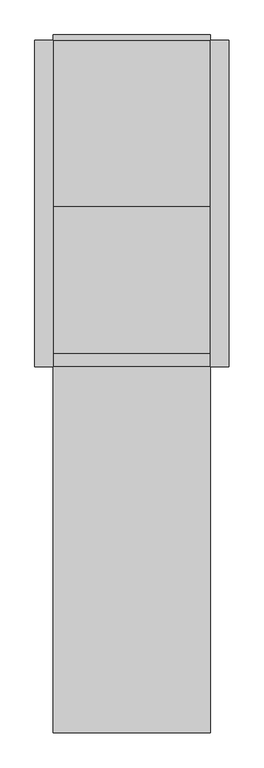
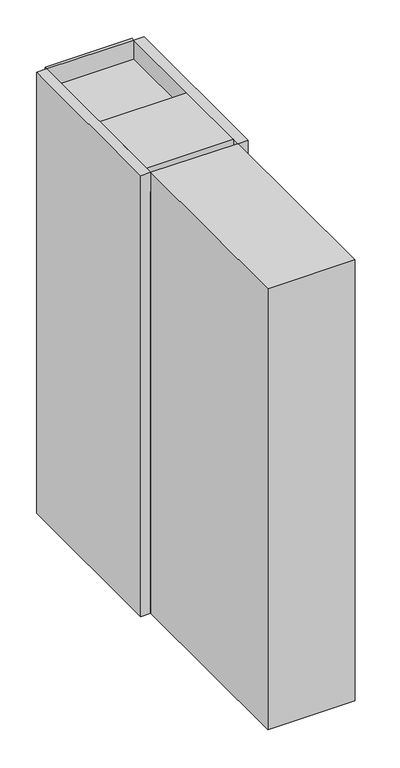
"""IFC4 building model written with IfcOpenShell, lengths in millimetres: proxy geometry."""

from ifc_helpers import new_model, si_unit, frame, origin, origin_with_axes, place, context, project, spatial, polyline, circle_curve, outline, extrude, source, transform, mapped, element, save
from ifc_brep_helpers import plane_surface, revolved_surface, advanced_brep


def electrical_equipment_23af5438(model_context):
    return source(origin(), model_context, "Body", "SolidModel", [
        extrude(outline(polyline([(215.0, 0.0), (215.0, -890.0), (-215.0, -890.0), (-215.0, 0.0), (215.0, 0.0)])), origin_with_axes(), (0.0, 0.0, 1.0), 2200.0),
        extrude(outline(polyline([(215.0, 0.0), (265.0, 0.0), (265.0, -890.0), (215.0, -890.0), (215.0, 0.0)])), origin_with_axes(), (0.0, 0.0, 1.0), 2300.0),
        extrude(outline(polyline([(-215.0, 0.0), (-215.0, -890.0), (-265.0, -890.0), (-265.0, 0.0), (-215.0, 0.0)])), origin_with_axes(), (0.0, 0.0, 1.0), 2300.0),
        extrude(outline(polyline([(215.0, 0.0), (-215.0, 0.0), (-215.0, 15.0), (215.0, 15.0), (215.0, 0.0)])), origin_with_axes(), (0.0, 0.0, 1.0), 2300.0),
        extrude(outline(polyline([(215.0, -890.0), (215.0, -1890.0), (-215.0, -1890.0), (-215.0, -890.0), (215.0, -890.0)])), origin_with_axes(), (0.0, 0.0, 1.0), 2300.0),
        extrude(outline(polyline([(215.0, -115.0), (215.0, -829.0), (-215.0, -829.0), (-215.0, -115.0), (215.0, -115.0)])), origin_with_axes(), (0.0, 0.0, 1.0), 300.0),
        extrude(outline(polyline([(215.0, 0.0), (215.0, -115.0), (-215.0, -115.0), (-215.0, 0.0), (215.0, 0.0)])), origin_with_axes(), (0.0, 0.0, 1.0), 1800.0),
        extrude(outline(polyline([(-115.0, 1700.0), (-360.0, 1700.0), (-360.0, 1800.0), (-140.0, 1800.0), (-115.0, 1800.0), (-115.0, 1700.0)])), frame((-215.0, 0.0, 0.0), z_axis=(1.0, 0.0, 0.0), x_axis=(0.0, 1.0, 0.0)), (0.0, 0.0, 1.0), 430.0),
        extrude(outline(polyline([(-854.0, 2300.0348011), (-454.0, 2300.0348011), (-454.0, 1780.0348011), (-534.0, 1700.0348011), (-854.0, 1700.0348011), (-854.0, 2300.0348011)])), frame((-215.0, 0.0, 0.0), z_axis=(1.0, 0.0, 0.0), x_axis=(0.0, 1.0, 0.0)), (0.0, 0.0, 1.0), 430.0),
        advanced_brep(
        [(215.0, -115.0, 1700.0348011), (215.0, -565.0, 1700.0348011), (215.0, -565.0, 1475.0348011), (215.0, -115.0, 1475.0348011), (215.0, -138.0, 1587.5348011), (215.0, -258.0, 1587.5348011), (215.0, -281.0, 1587.5348011), (215.0, -401.0, 1587.5348011), (215.0, -424.0, 1587.5348011), (215.0, -544.0, 1587.5348011), (-215.0, -115.0, 1700.0348011), (-215.0, -115.0, 1475.0348011), (-215.0, -565.0, 1475.0348011), (-215.0, -565.0, 1700.0348011), (-215.0, -258.0, 1587.5348011), (-215.0, -138.0, 1587.5348011), (-215.0, -401.0, 1587.5348011), (-215.0, -281.0, 1587.5348011), (-215.0, -544.0, 1587.5348011), (-215.0, -424.0, 1587.5348011), (184.0222122, -258.0, 1587.5348011), (184.0222122, -138.0, 1587.5348011), (184.0222122, -401.0, 1587.5348011), (184.0222122, -281.0, 1587.5348011), (184.0222122, -544.0, 1587.5348011), (184.0222122, -424.0, 1587.5348011), (-184.0222122, -258.0, 1587.5348011), (-184.0222122, -138.0, 1587.5348011), (-184.0222122, -401.0, 1587.5348011), (-184.0222122, -281.0, 1587.5348011), (-184.0222122, -544.0, 1587.5348011), (-184.0222122, -424.0, 1587.5348011)],
        [
            (0, 1),
            (1, 2),
            (2, 3),
            (3, 0),
            (4, 5, circle_curve(frame((215.0, -198.0, 1587.5348011), z_axis=(-1.0, 0.0, 0.0), x_axis=(0.0, 1.0, 0.0)), 60.0)),
            (5, 4, circle_curve(frame((215.0, -198.0, 1587.5348011), z_axis=(-1.0, 0.0, 0.0), x_axis=(0.0, 1.0, 0.0)), 60.0)),
            (6, 7, circle_curve(frame((215.0, -341.0, 1587.5348011), z_axis=(-1.0, 0.0, 0.0), x_axis=(0.0, 1.0, 0.0)), 60.0)),
            (7, 6, circle_curve(frame((215.0, -341.0, 1587.5348011), z_axis=(-1.0, 0.0, 0.0), x_axis=(0.0, 1.0, 0.0)), 60.0)),
            (8, 9, circle_curve(frame((215.0, -484.0, 1587.5348011), z_axis=(-1.0, 0.0, 0.0), x_axis=(0.0, 1.0, 0.0)), 60.0)),
            (9, 8, circle_curve(frame((215.0, -484.0, 1587.5348011), z_axis=(-1.0, 0.0, 0.0), x_axis=(0.0, 1.0, 0.0)), 60.0)),
            (10, 11),
            (11, 12),
            (12, 13),
            (13, 10),
            (14, 15, circle_curve(frame((-215.0, -198.0, 1587.5348011), z_axis=(1.0, 0.0, 0.0), x_axis=(0.0, 1.0, 0.0)), 60.0)),
            (15, 14, circle_curve(frame((-215.0, -198.0, 1587.5348011), z_axis=(1.0, 0.0, 0.0), x_axis=(0.0, 1.0, 0.0)), 60.0)),
            (16, 17, circle_curve(frame((-215.0, -341.0, 1587.5348011), z_axis=(1.0, 0.0, 0.0), x_axis=(0.0, 1.0, 0.0)), 60.0)),
            (17, 16, circle_curve(frame((-215.0, -341.0, 1587.5348011), z_axis=(1.0, 0.0, 0.0), x_axis=(0.0, 1.0, 0.0)), 60.0)),
            (18, 19, circle_curve(frame((-215.0, -484.0, 1587.5348011), z_axis=(1.0, 0.0, 0.0), x_axis=(0.0, 1.0, 0.0)), 60.0)),
            (19, 18, circle_curve(frame((-215.0, -484.0, 1587.5348011), z_axis=(1.0, 0.0, 0.0), x_axis=(0.0, 1.0, 0.0)), 60.0)),
            (0, 10),
            (13, 1),
            (12, 2),
            (11, 3),
            (20, 21, circle_curve(frame((184.0222122, -198.0, 1587.5348011), z_axis=(1.0, 0.0, 0.0), x_axis=(0.0, 1.0, 0.0)), 60.0)),
            (21, 20, circle_curve(frame((184.0222122, -198.0, 1587.5348011), z_axis=(1.0, 0.0, 0.0), x_axis=(0.0, 1.0, 0.0)), 60.0)),
            (22, 23, circle_curve(frame((184.0222122, -341.0, 1587.5348011), z_axis=(1.0, 0.0, 0.0), x_axis=(0.0, 1.0, 0.0)), 60.0)),
            (23, 22, circle_curve(frame((184.0222122, -341.0, 1587.5348011), z_axis=(1.0, 0.0, 0.0), x_axis=(0.0, 1.0, 0.0)), 60.0)),
            (24, 25, circle_curve(frame((184.0222122, -484.0, 1587.5348011), z_axis=(1.0, 0.0, 0.0), x_axis=(0.0, 1.0, 0.0)), 60.0)),
            (25, 24, circle_curve(frame((184.0222122, -484.0, 1587.5348011), z_axis=(1.0, 0.0, 0.0), x_axis=(0.0, 1.0, 0.0)), 60.0)),
            (20, 5),
            (4, 21),
            (22, 7),
            (6, 23),
            (24, 9),
            (8, 25),
            (26, 27, circle_curve(frame((-184.0222122, -198.0, 1587.5348011), z_axis=(-1.0, 0.0, 0.0), x_axis=(0.0, 1.0, 0.0)), 60.0)),
            (27, 26, circle_curve(frame((-184.0222122, -198.0, 1587.5348011), z_axis=(-1.0, 0.0, 0.0), x_axis=(0.0, 1.0, 0.0)), 60.0)),
            (28, 29, circle_curve(frame((-184.0222122, -341.0, 1587.5348011), z_axis=(-1.0, 0.0, 0.0), x_axis=(0.0, 1.0, 0.0)), 60.0)),
            (29, 28, circle_curve(frame((-184.0222122, -341.0, 1587.5348011), z_axis=(-1.0, 0.0, 0.0), x_axis=(0.0, 1.0, 0.0)), 60.0)),
            (30, 31, circle_curve(frame((-184.0222122, -484.0, 1587.5348011), z_axis=(-1.0, 0.0, 0.0), x_axis=(0.0, 1.0, 0.0)), 60.0)),
            (31, 30, circle_curve(frame((-184.0222122, -484.0, 1587.5348011), z_axis=(-1.0, 0.0, 0.0), x_axis=(0.0, 1.0, 0.0)), 60.0)),
            (27, 15),
            (14, 26),
            (29, 17),
            (16, 28),
            (31, 19),
            (18, 30),
        ],
        [
            plane_surface(frame((215.0, -115.0, 1700.0348011), z_axis=(1.0, 0.0, 0.0), x_axis=(0.0, -1.0, 0.0))),
            plane_surface(frame((-215.0, -115.0, 1700.0348011), z_axis=(-1.0, 0.0, 0.0), x_axis=(0.0, 1.0, 0.0))),
            plane_surface(frame((215.0, -115.0, 1700.0348011), z_axis=(0.0, 0.0, 1.0), x_axis=(-1.0, 0.0, 0.0))),
            plane_surface(frame((215.0, -565.0, 1700.0348011), z_axis=(0.0, -1.0, 0.0), x_axis=(-1.0, 0.0, 0.0))),
            plane_surface(frame((215.0, -565.0, 1475.0348011), z_axis=(0.0, 0.0, -1.0), x_axis=(-1.0, 0.0, 0.0))),
            plane_surface(frame((215.0, -115.0, 1475.0348011), z_axis=(0.0, 1.0, 0.0), x_axis=(-1.0, 0.0, 0.0))),
            plane_surface(frame((184.0222122, -138.0, 1587.5348011), z_axis=(1.0, 0.0, 0.0), x_axis=(0.0, 0.0, -1.0))),
            revolved_surface(polyline([(215.0, -138.0, 1587.5348011), (184.0222122, -138.0, 1587.5348011)]), (184.0222122, -198.0, 1587.5348011), (1.0, 0.0, 0.0)),
            revolved_surface(polyline([(215.0, -281.0, 1587.5348011), (184.0222122, -281.0, 1587.5348011)]), (0.0, -341.0, 1587.5348011), (1.0, 0.0, 0.0)),
            revolved_surface(polyline([(215.0, -424.0, 1587.5348011), (184.0222122, -424.0, 1587.5348011)]), (0.0, -484.0, 1587.5348011), (1.0, 0.0, 0.0)),
            plane_surface(frame((-184.0222122, -138.0, 1587.5348011), z_axis=(-1.0, 0.0, 0.0), x_axis=(0.0, 0.0, 1.0))),
            revolved_surface(polyline([(-215.0, -138.0, 1587.5348011), (-184.0222122, -138.0, 1587.5348011)]), (-184.0222122, -198.0, 1587.5348011), (-1.0, 0.0, 0.0)),
            revolved_surface(polyline([(-215.0, -281.0, 1587.5348011), (-184.0222122, -281.0, 1587.5348011)]), (0.0, -341.0, 1587.5348011), (-1.0, 0.0, 0.0)),
            revolved_surface(polyline([(-215.0, -424.0, 1587.5348011), (-184.0222122, -424.0, 1587.5348011)]), (0.0, -484.0, 1587.5348011), (-1.0, 0.0, 0.0)),
        ],
        [
            (0, [[1, 2, 3, 4], [5, 6], [7, 8], [9, 10]]),
            (1, [[11, 12, 13, 14], [15, 16], [17, 18], [19, 20]]),
            (2, [[-1, 21, -14, 22]]),
            (3, [[-2, -22, -13, 23]]),
            (4, [[-3, -23, -12, 24]]),
            (5, [[-4, -24, -11, -21]]),
            (6, [[25, 26]]),
            (6, [[27, 28]]),
            (6, [[29, 30]]),
            (7, [[-25, 31, -5, 32]]),
            (7, [[-26, -32, -6, -31]]),
            (8, [[-27, 33, -7, 34]]),
            (8, [[-28, -34, -8, -33]]),
            (9, [[-29, 35, -9, 36]]),
            (9, [[-30, -36, -10, -35]]),
            (10, [[37, 38]]),
            (10, [[39, 40]]),
            (10, [[41, 42]]),
            (11, [[-38, 43, -15, 44]]),
            (11, [[-37, -44, -16, -43]]),
            (12, [[-40, 45, -17, 46]]),
            (12, [[-39, -46, -18, -45]]),
            (13, [[-42, 47, -19, 48]]),
            (13, [[-41, -48, -20, -47]]),
        ],
    ),
        extrude(outline(polyline([(215.0, -565.0), (215.0, -854.0), (-215.0, -854.0), (-215.0, -565.0), (215.0, -565.0)])), frame((0.0, 0.0, 1250.0348011), z_axis=(0.0, 0.0, 1.0), x_axis=(1.0, 0.0, 0.0)), (0.0, 0.0, 1.0), 450.0),
        extrude(outline(polyline([(215.0, -829.0), (215.0, -890.0), (-215.0, -890.0), (-215.0, -829.0), (215.0, -829.0)])), frame((0.0, 0.0, 500.0348011), z_axis=(0.0, 0.0, 1.0), x_axis=(1.0, 0.0, 0.0)), (0.0, 0.0, 1.0), 750.0),
        extrude(outline(polyline([(215.0, -565.0), (215.0, -829.0), (-215.0, -829.0), (-215.0, -565.0), (215.0, -565.0)])), frame((0.0, 0.0, 300.0), z_axis=(0.0, 0.0, 1.0), x_axis=(1.0, 0.0, 0.0)), (0.0, 0.0, 1.0), 950.0348011),
        extrude(outline(polyline([(215.0, -115.0), (215.0, -565.0), (-215.0, -565.0), (-215.0, -115.0), (215.0, -115.0)])), frame((0.0, 0.0, 1075.0348011), z_axis=(0.0, 0.0, 1.0), x_axis=(1.0, 0.0, 0.0)), (0.0, 0.0, 1.0), 400.0),
        extrude(outline(polyline([(215.0, -115.0), (215.0, -565.0), (-215.0, -565.0), (-215.0, -115.0), (215.0, -115.0)])), frame((0.0, 0.0, 300.0), z_axis=(0.0, 0.0, 1.0), x_axis=(1.0, 0.0, 0.0)), (0.0, 0.0, 1.0), 775.0),
    ])


if __name__ == "__main__":
    model = new_model("IFC4")
    model_context = context("Model", 3, world=origin())
    ifc_project = project(units=[si_unit("LENGTHUNIT", "METRE", prefix="MILLI")], contexts=[model_context])
    site = spatial("IfcSite", under=ifc_project)
    building = spatial("IfcBuilding", under=site)
    placement = place(None, origin())
    electrical_equipment_shape = electrical_equipment_23af5438(model_context)
    element("IfcBuildingElementProxy", 1, Name="Electrical Equipment", at=placement, inside=building, context=model_context, shape_type="MappedRepresentation", body=[
        mapped(electrical_equipment_shape, transform((0.0, 0.0, 0.0), x_axis=(1.0, 0.0, 0.0), y_axis=(0.0, 1.0, 0.0), z_axis=(0.0, 0.0, 1.0))),
    ])
    save(model, "model.ifc")
